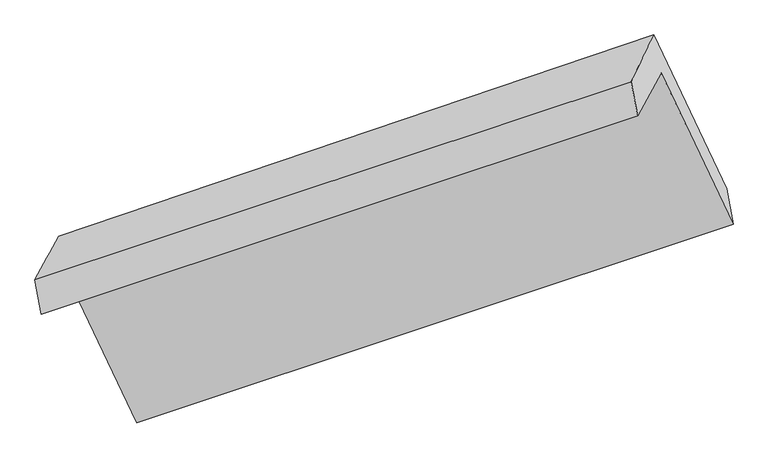
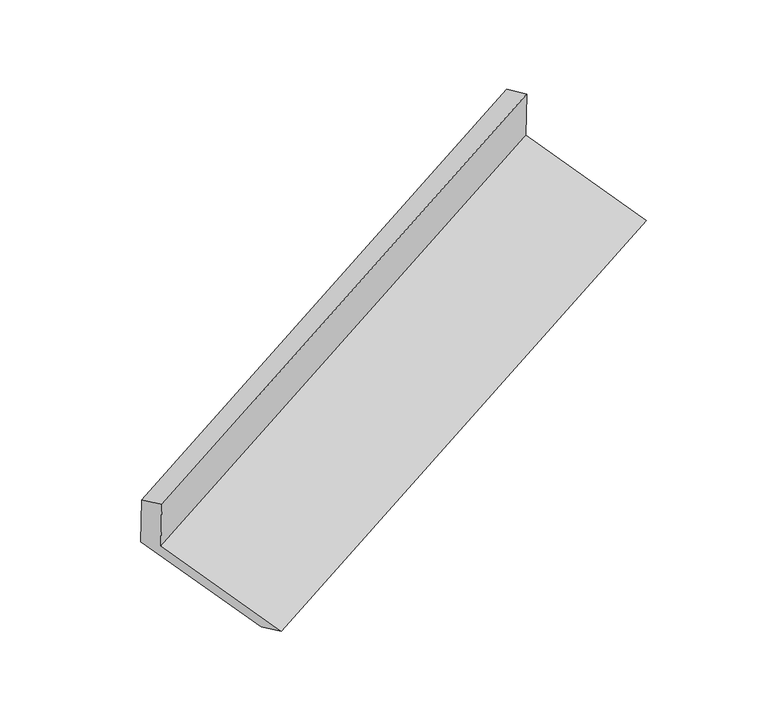
"""IFC4 building model written with IfcOpenShell, lengths in millimetres: proxy geometry."""

from ifc_helpers import new_model, si_unit, frame, origin, place, context, project, spatial, source, transform, mapped, element, save
from ifc_brep_helpers import plane_surface, spline_surface, advanced_brep


def generic_models_3ac82353(model_context):
    return source(origin(), model_context, "Body", "AdvancedBrep", [
        advanced_brep(
        [(-4205.4371702, -1730.2116228, 1367.9753981), (-3895.1510358, -2385.5707936, 1140.7884067), (-1316.4254403, -1528.8267629, 2199.6442677), (-1627.2847872, -873.6580335, 2426.5958911), (-4306.9018191, -1916.0343591, 1765.4346019), (-1728.7494362, -1059.4807699, 2824.0550949), (-4335.2853802, -1768.0672663, 1715.1278686), (-1757.2266646, -911.5447967, 2773.7099006), (-4232.074114, -1579.0457686, 1310.8267833), (-1660.3376656, -709.1984568, 2374.0245646), (-3922.9936749, -2231.8583756, 1084.5225844), (-1344.3639741, -1375.1462045, 2143.3390699)],
        [
            (0, 1),
            (1, 2),
            (2, 3),
            (3, 0),
            (4, 0),
            (3, 5),
            (5, 4),
            (6, 4),
            (5, 7),
            (7, 6),
            (8, 6),
            (7, 9),
            (9, 8),
            (10, 8),
            (9, 11),
            (11, 10),
            (1, 10),
            (11, 2),
        ],
        [
            plane_surface(frame((-4050.294103, -2057.8912082, 1254.3819024), z_axis=(-0.22531072796191728, -0.41263490714149664, 0.8825913602985241), x_axis=(0.4091010236510998, -0.8622233831950468, -0.29867572703403583))),
            plane_surface(frame((-4256.1694947, -1823.122991, 1566.705), z_axis=(0.40910102365111994, -0.8622233831950477, -0.29867572703400636), x_axis=(0.22531072796193477, 0.41263490714148066, -0.8825913602985272))),
            plane_surface(frame((-4321.0935997, -1842.0508127, 1740.2812352), z_axis=(-0.4312621007420958, 0.21516746798641806, 0.8761940202853638), x_axis=(0.17928070769235835, -0.9313429496379035, 0.31695226455902903))),
            spline_surface(1, 1, [[(-4232.074114, -1579.0457686, 1310.8267833), (-1660.3376656, -709.1984568, 2374.0245646)], [(-4335.2853802, -1768.0672663, 1715.1278686), (-1757.2266646, -911.5447967, 2773.7099006)]], [2, 2], [2, 2], [0.0, 1.0], [0.0, 1.0]),
            plane_surface(frame((-4077.5338944, -1905.4520721, 1197.6746839), z_axis=(0.2253107279618885, 0.41263490714156015, -0.8825913602985022), x_axis=(-0.40910102365114603, 0.8622233831950068, 0.2986757270340881))),
            plane_surface(frame((-3909.0723553, -2308.7145846, 1112.6554956), z_axis=(0.4356777359778883, -0.2387599029294873, -0.8678586400597066), x_axis=(-0.16826610490612515, 0.9255757331915786, -0.3391107194805154))),
            plane_surface(frame((-1572.3979947, -1076.3091707, 2456.8947981), z_axis=(0.8842349395453417, 0.2937741834812887, 0.363077541039305), x_axis=(-0.21138892557160752, -0.44147195056239025, 0.8720190588584174))),
            plane_surface(frame((-4149.6405324, -1935.1313643, 1397.4459405), z_axis=(-0.8845836335463948, -0.29303848913799424, -0.36282260010310746), x_axis=(-0.40834650865050287, 0.8624736965798013, 0.2989853701787392))),
        ],
        [
            (0, [[1, 2, 3, 4]]),
            (1, [[5, -4, 6, 7]]),
            (2, [[8, -7, 9, 10]]),
            (3, [[11, -10, 12, 13]]),
            (4, [[14, -13, 15, 16]]),
            (5, [[17, -16, 18, -2]]),
            (6, [[-12, -9, -6, -3, -18, -15]]),
            (7, [[-1, -5, -8, -11, -14, -17]]),
        ],
    ),
    ])


if __name__ == "__main__":
    model = new_model("IFC4")
    model_context = context("Model", 3, world=origin())
    ifc_project = project(units=[si_unit("LENGTHUNIT", "METRE", prefix="MILLI")], contexts=[model_context])
    site = spatial("IfcSite", under=ifc_project)
    building = spatial("IfcBuilding", under=site)
    placement = place(None, origin())
    generic_models_shape = generic_models_3ac82353(model_context)
    element("IfcBuildingElementProxy", 1, Name="Generic Models", at=placement, inside=building, context=model_context, shape_type="MappedRepresentation", body=[
        mapped(generic_models_shape, transform((0.0, 0.0, 0.0), x_axis=(1.0, 0.0, 0.0), y_axis=(0.0, 1.0, 0.0), z_axis=(0.0, 0.0, 1.0))),
    ])
    save(model, "model.ifc")
